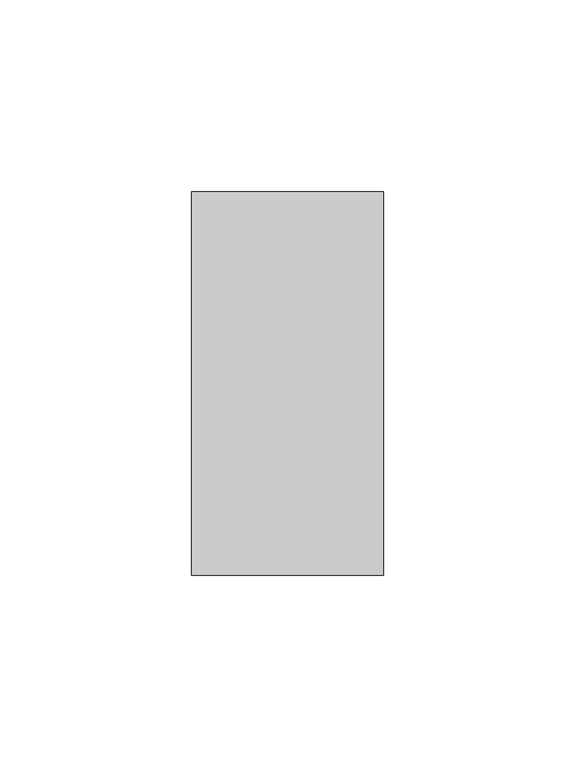
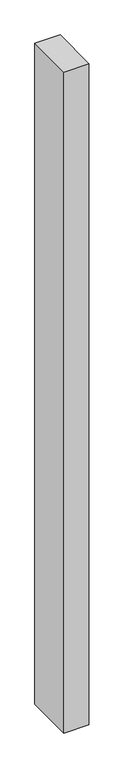
"""IFC4 building model written with IfcOpenShell, lengths in millimetres: member geometry."""

from ifc_helpers import new_model, si_unit, frame, origin, place, context, project, spatial, polyline, outline, extrude, source, transform, mapped, element, save


def member_da6373a8(model_context):
    return source(origin(), model_context, "Body", "SweptSolid", [
        extrude(outline(polyline([(25.0, 50.0), (25.0, -50.0), (-25.0, -50.0), (-25.0, 50.0), (25.0, 50.0)])), frame((0.0, 0.0, -1392.2823646), z_axis=(0.0, 0.0, 1.0), x_axis=(1.0, 0.0, 0.0)), (0.0, 0.0, 1.0), 1392.2823646),
    ])


if __name__ == "__main__":
    model = new_model("IFC4")
    model_context = context("Model", 3, world=origin())
    ifc_project = project(units=[si_unit("LENGTHUNIT", "METRE", prefix="MILLI")], contexts=[model_context])
    site = spatial("IfcSite", under=ifc_project)
    building = spatial("IfcBuilding", under=site)
    placement = place(None, origin())
    member_shape = member_da6373a8(model_context)
    element("IfcMember", 1, at=placement, inside=building, context=model_context, shape_type="MappedRepresentation", body=[
        mapped(member_shape, transform((0.0, 0.0, 0.0), x_axis=(1.0, 0.0, 0.0), y_axis=(0.0, 1.0, 0.0), z_axis=(0.0, 0.0, 1.0))),
    ])
    save(model, "model.ifc")
